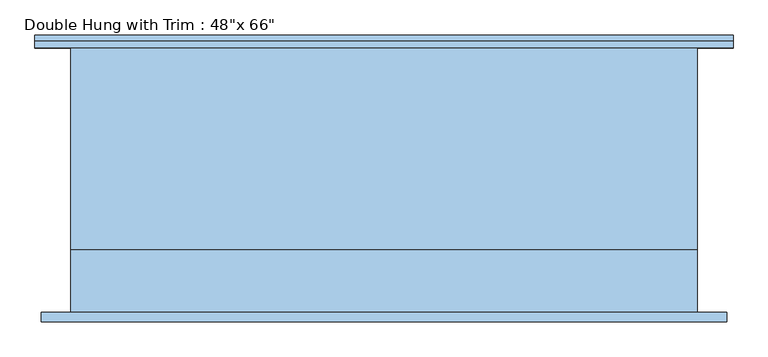
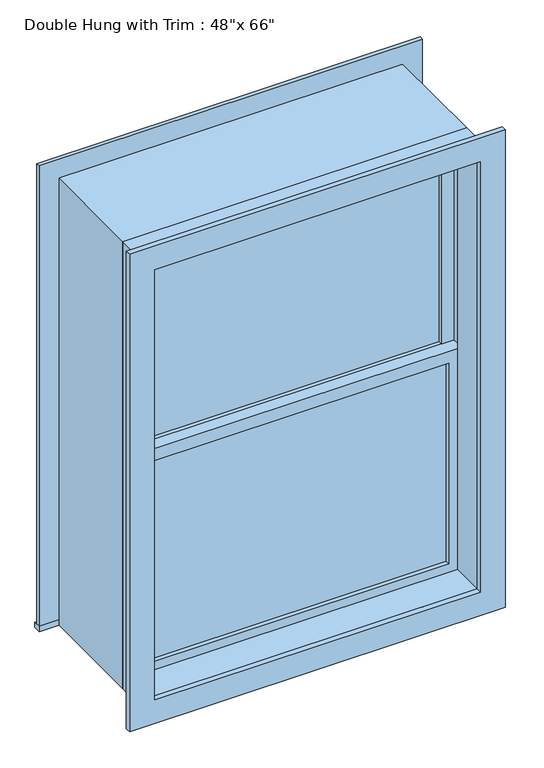
"""IFC4 building model written with IfcOpenShell, lengths in millimetres: window geometry."""

from ifc_helpers import new_model, si_unit, frame, origin, place, context, project, spatial, polyline, outline, extrude, source, transform, mapped, element, save


def window_8af12ca5(model_context):
    return source(origin(), model_context, "Body", "SweptSolid", [
        extrude(outline(polyline([(-546.1, -107.625), (546.1, -107.625), (546.1, -120.325), (-546.1, -120.325), (-546.1, -107.625)])), frame((0.0, 0.0, 368.3), z_axis=(0.0, 0.0, 1.0), x_axis=(1.0, 0.0, 0.0)), (0.0, 0.0, 1.0), 752.475),
        extrude(outline(polyline([(1165.225, -590.55), (323.85, -590.55), (323.85, 590.55), (1165.225, 590.55), (1165.225, -590.55)]), holes=[polyline([(1120.775, -546.1), (1120.775, 546.1), (368.3, 546.1), (368.3, -546.1), (1120.775, -546.1)])]), frame((0.0, -136.2, 0.0), z_axis=(0.0, 1.0, 0.0), x_axis=(0.0, 0.0, 1.0)), (0.0, 0.0, 1.0), 44.45),
        extrude(outline(polyline([(-679.45, 282.9), (679.45, 282.9), (679.45, 257.5), (-679.45, 257.5), (-679.45, 282.9)])), frame((0.0, 0.0, 304.8), z_axis=(0.0, 0.0, 1.0), x_axis=(1.0, 0.0, 0.0)), (0.0, 0.0, 1.0), 19.05),
        extrude(outline(polyline([(1962.15, -590.55), (1962.15, 590.55), (323.85, 590.55), (323.85, 679.45), (2051.05, 679.45), (2051.05, -679.45), (323.85, -679.45), (323.85, -590.55), (1962.15, -590.55)])), frame((0.0, 257.5, 0.0), z_axis=(0.0, 1.0, 0.0), x_axis=(0.0, 0.0, 1.0)), (0.0, 0.0, 1.0), 12.7),
        extrude(outline(polyline([(2038.35, 666.75), (2038.35, -666.75), (247.65, -666.75), (247.65, 666.75), (2038.35, 666.75)]), holes=[polyline([(1949.45, 577.85), (336.55, 577.85), (336.55, -577.85), (1949.45, -577.85), (1949.45, 577.85)])]), frame((0.0, -276.55, 0.0), z_axis=(0.0, 1.0, 0.0), x_axis=(0.0, 0.0, 1.0)), (0.0, 0.0, 1.0), 19.05),
        extrude(outline(polyline([(546.1, -75.875), (-546.1, -75.875), (-546.1, -63.175), (546.1, -63.175), (546.1, -75.875)])), frame((0.0, 0.0, 1165.225), z_axis=(0.0, 0.0, 1.0), x_axis=(1.0, 0.0, 0.0)), (0.0, 0.0, 1.0), 752.475),
        extrude(outline(polyline([(1962.15, -590.55), (1120.775, -590.55), (1120.775, 590.55), (1962.15, 590.55), (1962.15, -590.55)]), holes=[polyline([(1917.7, -546.1), (1917.7, 546.1), (1165.225, 546.1), (1165.225, -546.1), (1917.7, -546.1)])]), frame((0.0, -91.75, 0.0), z_axis=(0.0, 1.0, 0.0), x_axis=(0.0, 0.0, 1.0)), (0.0, 0.0, 1.0), 44.45),
        extrude(outline(polyline([(1981.2, -609.6), (304.8, -609.6), (304.8, 609.6), (1981.2, 609.6), (1981.2, -609.6)]), holes=[polyline([(1949.45, -577.85), (1949.45, 577.85), (336.55, 577.85), (336.55, -577.85), (1949.45, -577.85)])]), frame((0.0, -257.5, 0.0), z_axis=(0.0, 1.0, 0.0), x_axis=(0.0, 0.0, 1.0)), (0.0, 0.0, 1.0), 121.3),
        extrude(outline(polyline([(1981.2, 609.6), (1981.2, -609.6), (304.8, -609.6), (304.8, 609.6), (1981.2, 609.6)]), holes=[polyline([(1962.15, 590.55), (323.85, 590.55), (323.85, -590.55), (1962.15, -590.55), (1962.15, 590.55)])]), frame((0.0, -136.2, 0.0), z_axis=(0.0, 1.0, 0.0), x_axis=(0.0, 0.0, 1.0)), (0.0, 0.0, 1.0), 393.7),
    ])


if __name__ == "__main__":
    model = new_model("IFC4")
    model_context = context("Model", 3, world=origin())
    ifc_project = project(units=[si_unit("LENGTHUNIT", "METRE", prefix="MILLI")], contexts=[model_context])
    site = spatial("IfcSite", under=ifc_project)
    building = spatial("IfcBuilding", under=site)
    placement = place(None, origin())
    window_shape = window_8af12ca5(model_context)
    element("IfcWindow", 1, ObjectType="Double Hung with Trim : 48\"x 66\"", at=placement, inside=building, context=model_context, shape_type="MappedRepresentation", body=[
        mapped(window_shape, transform((0.0, 0.0, 0.0), x_axis=(1.0, 0.0, 0.0), y_axis=(0.0, 1.0, 0.0), z_axis=(0.0, 0.0, 1.0))),
    ])
    save(model, "model.ifc")
